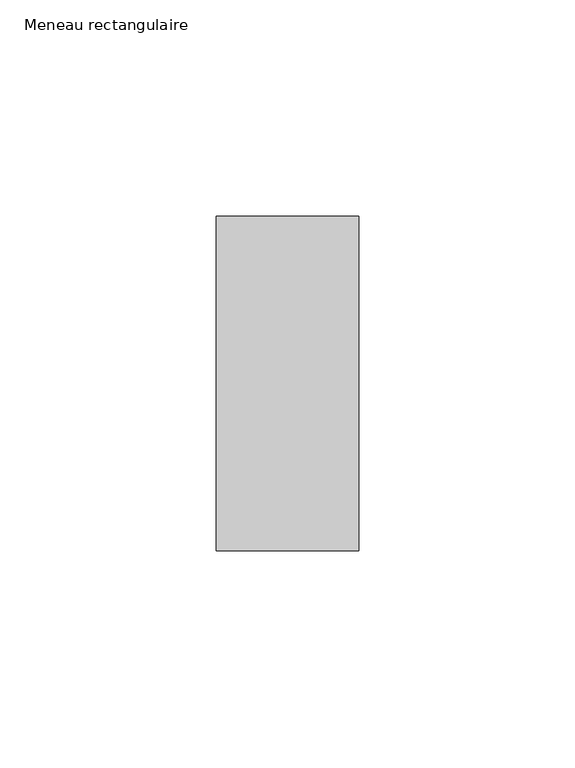
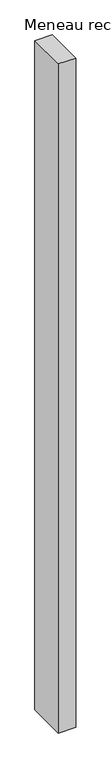
"""IFC4 building model written with IfcOpenShell, lengths in millimetres: member geometry, Meneau rectangulaire."""

from ifc_helpers import new_model, si_unit, frame, origin, place, context, project, spatial, polyline, outline, extrude, source, transform, mapped, element, save


def meneau_rectangulaire_55289bd9(model_context):
    return source(origin(), model_context, "Body", "SweptSolid", [
        extrude(outline(polyline([(0.0, 38.75), (0.0, -38.75), (-33.0, -38.75), (-33.0, 38.75), (0.0, 38.75)])), frame((0.0, 0.0, -1351.4999999), z_axis=(0.0, 0.0, 1.0), x_axis=(1.0, 0.0, 0.0)), (0.0, 0.0, 1.0), 1351.4999999),
    ])


if __name__ == "__main__":
    model = new_model("IFC4")
    model_context = context("Model", 3, world=origin())
    ifc_project = project(units=[si_unit("LENGTHUNIT", "METRE", prefix="MILLI")], contexts=[model_context])
    site = spatial("IfcSite", under=ifc_project)
    building = spatial("IfcBuilding", under=site)
    placement = place(None, origin())
    meneau_rectangulaire_shape = meneau_rectangulaire_55289bd9(model_context)
    element("IfcMember", 1, ObjectType="Meneau rectangulaire", at=placement, inside=building, context=model_context, shape_type="MappedRepresentation", body=[
        mapped(meneau_rectangulaire_shape, transform((0.0, 0.0, 0.0), x_axis=(1.0, 0.0, 0.0), y_axis=(0.0, 1.0, 0.0), z_axis=(0.0, 0.0, 1.0))),
    ])
    save(model, "model.ifc")
